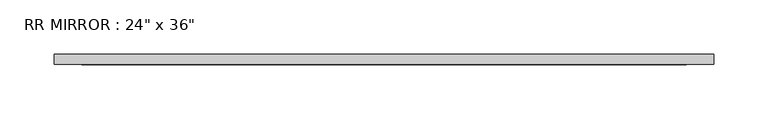
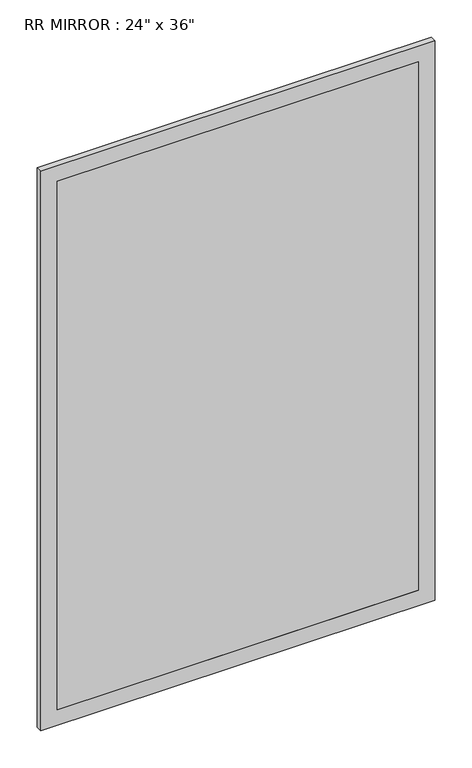
"""IFC4 building model written with IfcOpenShell, lengths in millimetres: proxy geometry."""

import ifcopenshell
import ifcopenshell.guid

model = None  # the IFC model being written
_history = None  # IfcOwnerHistory: only IFC2X3 demands one
_inside = {}  # id of a spatial element -> (the spatial element, [elements in it])
_under = {}  # id of a project, library or spatial element -> (it, [spatial elements below it])
_declared = {}  # id of a project -> (the project, [libraries it declares])
_typed = {}  # id of a type object -> (the type object, [elements of that type])
_made_of = {}  # id of a material, layer set ... -> (it, [elements and type objects made of it])


def new_model(schema):
    """Start an empty IFC model of exactly this schema.

    Asked for "IFC4X3", IfcOpenShell would pick the latest addendum, in which some entities
    have other attributes; the version numbers below select the first issue.
    IFC2X3 requires an IfcOwnerHistory on every rooted entity: one is made here for all.
    """
    global model, _history
    if schema == "IFC4X3":
        model = ifcopenshell.file(schema_version=(4, 3, 0, 0))
    else:
        model = ifcopenshell.file(schema=schema)
    _inside.clear()
    _under.clear()
    _declared.clear()
    _typed.clear()
    _made_of.clear()
    _history = None
    if model.schema == "IFC2X3":
        org = make("IfcOrganization", Name="unknown")
        user = make(
            "IfcPersonAndOrganization",
            ThePerson=make("IfcPerson", FamilyName="unknown"),
            TheOrganization=org,
        )
        app = make(
            "IfcApplication",
            ApplicationDeveloper=org,
            Version="unknown",
            ApplicationFullName="unknown",
            ApplicationIdentifier="unknown",
        )
        _history = make(
            "IfcOwnerHistory",
            OwningUser=user,
            OwningApplication=app,
            ChangeAction="ADDED",
            CreationDate=0,
        )
    return model


def make(cls, **values):
    """One entity of the class cls with the attributes given. An attribute that is None is left unset."""
    return model.create_entity(
        cls, **{name: value for name, value in values.items() if value is not None}
    )


def rooted(cls, **values):
    """An entity with a GlobalId (a new one), such as an element, a storey or a relation."""
    return make(cls, GlobalId=ifcopenshell.guid.new(), OwnerHistory=_history, **values)


def si_unit(unit_type, name, prefix=None):
    """IfcSIUnit, for example si_unit("LENGTHUNIT", "METRE", prefix="MILLI")."""
    return make("IfcSIUnit", UnitType=unit_type, Prefix=prefix, Name=name)


def assignment(units):
    """IfcUnitAssignment: the units of a project."""
    return None if units is None else make("IfcUnitAssignment", Units=units)


def point(xyz):
    """IfcCartesianPoint."""
    return None if xyz is None else make("IfcCartesianPoint", Coordinates=xyz)


def direction(xyz):
    """IfcDirection."""
    return None if xyz is None else make("IfcDirection", DirectionRatios=xyz)


def frame(location, z_axis=None, x_axis=None):
    """IfcAxis2Placement3D, a coordinate frame: its origin and axes. An axis left out is left unset."""
    return make(
        "IfcAxis2Placement3D",
        Location=point(location),
        Axis=direction(z_axis),
        RefDirection=direction(x_axis),
    )


def origin():
    """The frame at (0, 0, 0) with its axes left unset."""
    return frame((0.0, 0.0, 0.0))


def place(relative_to, where):
    """IfcLocalPlacement: puts the frame where relative to a parent placement (None: the world)."""
    return make(
        "IfcLocalPlacement", PlacementRelTo=relative_to, RelativePlacement=where
    )


def context(
    kind, dimensions, precision=None, world=None, true_north=None, identifier=None
):
    """IfcGeometricRepresentationContext, for example the 3D "Model" context."""
    return make(
        "IfcGeometricRepresentationContext",
        ContextIdentifier=identifier,
        ContextType=kind,
        CoordinateSpaceDimension=dimensions,
        Precision=precision,
        WorldCoordinateSystem=world,
        TrueNorth=true_north,
    )


def project(units=None, contexts=None):
    """IfcProject with its units and contexts."""
    return rooted(
        "IfcProject",
        Name="project",
        RepresentationContexts=contexts,
        UnitsInContext=assignment(units),
    )


def spatial(cls, under=None, at=None, **own):
    """A site, building, storey or space (cls), placed at a placement, below another one or the project."""
    s = rooted(cls, ObjectPlacement=at, **own)
    if under is not None:
        _under.setdefault(under.id(), (under, []))[1].append(s)
    return s


def polyline(points):
    """IfcPolyline through the points."""
    return make("IfcPolyline", Points=[point(p) for p in points])


def outline(outer, holes=None, kind="AREA"):
    """IfcArbitraryClosedProfileDef: a profile drawn as a closed curve; with holes, ...WithVoids."""
    if holes is None:
        return make("IfcArbitraryClosedProfileDef", ProfileType=kind, OuterCurve=outer)
    return make(
        "IfcArbitraryProfileDefWithVoids",
        ProfileType=kind,
        OuterCurve=outer,
        InnerCurves=holes,
    )


def extrude(swept, where, along, depth):
    """IfcExtrudedAreaSolid: the profile swept, set in the frame where, extruded along a direction by depth."""
    return make(
        "IfcExtrudedAreaSolid",
        SweptArea=swept,
        Position=where,
        ExtrudedDirection=direction(along),
        Depth=depth,
    )


def shape(context_of_items, identifier, shape_type, items):
    """IfcShapeRepresentation: the items that make up one representation, for example the "Body"."""
    return make(
        "IfcShapeRepresentation",
        ContextOfItems=context_of_items,
        RepresentationIdentifier=identifier,
        RepresentationType=shape_type,
        Items=items,
    )


def source(mapping_origin, context_of_items, identifier, shape_type, items):
    """IfcRepresentationMap: a shape defined once, which mapped items show again and again."""
    return make(
        "IfcRepresentationMap",
        MappingOrigin=mapping_origin,
        MappedRepresentation=shape(context_of_items, identifier, shape_type, items),
    )


def transform(
    local_origin,
    x_axis=None,
    y_axis=None,
    z_axis=None,
    scale=None,
    scale2=None,
    scale3=None,
    uniform=True,
):
    """IfcCartesianTransformationOperator3D, or its non-uniform kind. x_axis, y_axis, z_axis: its Axis1, 2, 3."""
    if uniform:
        return make(
            "IfcCartesianTransformationOperator3D",
            Axis1=direction(x_axis),
            Axis2=direction(y_axis),
            LocalOrigin=point(local_origin),
            Scale=scale,
            Axis3=direction(z_axis),
        )
    return make(
        "IfcCartesianTransformationOperator3DnonUniform",
        Axis1=direction(x_axis),
        Axis2=direction(y_axis),
        LocalOrigin=point(local_origin),
        Scale=scale,
        Axis3=direction(z_axis),
        Scale2=scale2,
        Scale3=scale3,
    )


def mapped(mapping_source, mapping_target):
    """IfcMappedItem: shows the shape of a source again, moved by a transform."""
    return make(
        "IfcMappedItem", MappingSource=mapping_source, MappingTarget=mapping_target
    )


def made_of(thing, what):
    """Note that an element or type object is made of a material, layer set ...; save() writes the relation."""
    if what is not None:
        _made_of.setdefault(what.id(), (what, []))[1].append(thing)
    return thing


def element(
    cls,
    number,
    at=None,
    inside=None,
    cuts=None,
    type_object=None,
    material=None,
    context=None,
    identifier="Body",
    shape_type=None,
    held_by="IfcProductDefinitionShape",
    body=None,
    shapes=None,
    **own,
):
    """One element of the class cls, such as IfcWall. Its Tag is "e" and its number.

    at: its placement. inside: the storey or other place that contains it. cuts: it is an
    opening in that element (IfcRelVoidsElement). A single representation is given by context,
    identifier, shape_type and body (its items); several are given by shapes. held_by: the class
    of the entity that holds the representations. save() writes the other relations.
    """
    e = rooted(cls, Tag="e%d" % number, ObjectPlacement=at, **own)
    if body is not None:
        shapes = [shape(context, identifier, shape_type, body)]
    if shapes is not None:
        e.Representation = make(held_by, Representations=shapes)
    if inside is not None:
        _inside.setdefault(inside.id(), (inside, []))[1].append(e)
    if cuts is not None:
        rooted(
            "IfcRelVoidsElement", RelatingBuildingElement=cuts, RelatedOpeningElement=e
        )
    if type_object is not None:
        _typed.setdefault(type_object.id(), (type_object, []))[1].append(e)
    return made_of(e, material)


def aggregate(whole, parts):
    """IfcRelAggregates: a whole, such as a stair, and the parts it consists of."""
    return rooted("IfcRelAggregates", RelatingObject=whole, RelatedObjects=parts)


def save(model, path):
    """Write the relations noted so far, then the file.

    IfcRelAggregates (storeys below a building ...), IfcRelContainedInSpatialStructure (elements
    in a storey), IfcRelDefinesByType, IfcRelAssociatesMaterial and IfcRelDeclares: one each for
    every whole, place, type object, material and project.
    """
    for whole, parts in _under.values():
        aggregate(whole, parts)
    for where, things in _inside.values():
        rooted(
            "IfcRelContainedInSpatialStructure",
            RelatedElements=things,
            RelatingStructure=where,
        )
    for kind, things in _typed.values():
        rooted("IfcRelDefinesByType", RelatedObjects=things, RelatingType=kind)
    for what, things in _made_of.values():
        rooted("IfcRelAssociatesMaterial", RelatedObjects=things, RelatingMaterial=what)
    for by, libraries in _declared.values():
        rooted("IfcRelDeclares", RelatingContext=by, RelatedDefinitions=libraries)
    model.write(path)


def proxy_19f9c2de(model_context):
    return source(origin(), model_context, "Body", "SweptSolid", [
        extrude(outline(polyline([(279.4, 61.9125), (-279.4, 61.9125), (-279.4, 68.2625), (279.4, 68.2625), (279.4, 61.9125)])), frame((0.0, 0.0, 939.8), z_axis=(0.0, 0.0, 1.0), x_axis=(1.0, 0.0, 0.0)), (0.0, 0.0, 1.0), 863.6),
        extrude(outline(polyline([(1828.8, -304.8), (914.4, -304.8), (914.4, 304.8), (1828.8, 304.8), (1828.8, -304.8)]), holes=[polyline([(1803.4, -279.4), (1803.4, 279.4), (939.8, 279.4), (939.8, -279.4), (1803.4, -279.4)])]), frame((0.0, 61.9125, 0.0), z_axis=(0.0, 1.0, 0.0), x_axis=(0.0, 0.0, 1.0)), (0.0, 0.0, 1.0), 9.525),
    ])


if __name__ == "__main__":
    model = new_model("IFC4")
    model_context = context("Model", 3, world=origin())
    ifc_project = project(units=[si_unit("LENGTHUNIT", "METRE", prefix="MILLI")], contexts=[model_context])
    site = spatial("IfcSite", under=ifc_project)
    building = spatial("IfcBuilding", under=site)
    placement = place(None, origin())
    proxy_shape = proxy_19f9c2de(model_context)
    element("IfcBuildingElementProxy", 1, Name="RR MIRROR : 24\" x 36\"", ObjectType="RR MIRROR : 24\" x 36\"", at=placement, inside=building, context=model_context, shape_type="MappedRepresentation", body=[
        mapped(proxy_shape, transform((0.0, 0.0, 0.0), x_axis=(1.0, 0.0, 0.0), y_axis=(0.0, 1.0, 0.0), z_axis=(0.0, 0.0, 1.0))),
    ])
    save(model, "model.ifc")
